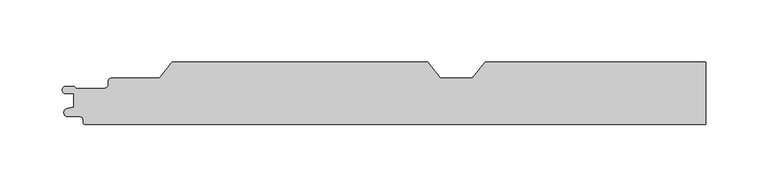
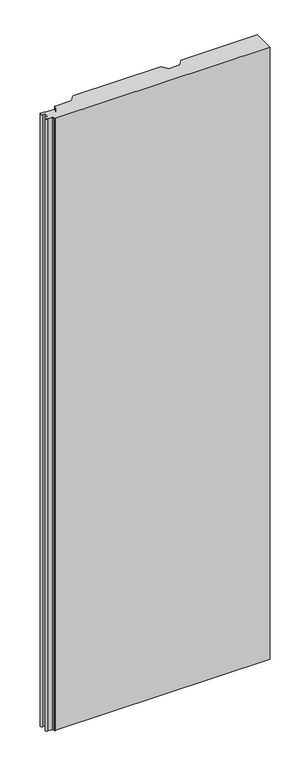
"""IFC4 building model written with IfcOpenShell, lengths in millimetres: proxy geometry."""

from ifc_helpers import new_model, si_unit, point, frame_2d, origin, origin_with_axes, place, context, project, spatial, polyline, circle_curve, trimmed, segment, composite_curve, outline, extrude, source, transform, mapped, element, save


def generic_models_21e4b4f1(model_context):
    return source(origin(), model_context, "Body", "SweptSolid", [
        extrude(outline(composite_curve([segment(trimmed(circle_curve(frame_2d((-498.3, -23.3)), 1.7), [point((-498.3, -25.0))], [point((-500.0, -23.3))], False, "CARTESIAN"), True, "CONTINUOUS"), segment(polyline([(-500.0, -23.3), (-500.0, -21.2)]), True, "CONTINUOUS"), segment(trimmed(circle_curve(frame_2d((-502.3, -21.2)), 2.3), [point((-500.0, -21.2))], [point((-502.3, -18.9))], True, "CARTESIAN"), True, "CONTINUOUS"), segment(polyline([(-502.3, -18.9), (-512.1, -18.9)]), True, "CONTINUOUS"), segment(trimmed(circle_curve(frame_2d((-512.1, -15.6)), 3.3), [point((-512.1, -18.9))], [point((-512.8423385, -12.3845788))], False, "CARTESIAN"), True, "CONTINUOUS"), segment(polyline([(-512.8423385, -12.3845788), (-507.347117, -11.115907), (-507.347117, -0.4369697), (-513.6706314, -0.4369697)]), True, "CONTINUOUS"), segment(trimmed(circle_curve(frame_2d((-513.6706314, 2.5444825)), 2.9814522), [point((-513.6706314, -0.4369697))], [point((-513.6706314, 5.5259348))], False, "CARTESIAN"), True, "CONTINUOUS"), segment(polyline([(-513.6706314, 5.5259348), (-507.3945609, 5.5259348)]), True, "CONTINUOUS"), segment(trimmed(circle_curve(frame_2d((-508.5138365, 3.7784532)), 2.0752035), [point((-507.3945609, 5.5259348))], [point((-506.7792948, 4.9176786))], False, "CARTESIAN"), True, "CONTINUOUS"), segment(trimmed(circle_curve(frame_2d((-505.0374222, 5.9004705)), 2.0), [point((-506.7792948, 4.9176786))], [point((-505.0374222, 3.9004705))], True, "CARTESIAN"), True, "CONTINUOUS"), segment(polyline([(-505.0374222, 3.9004705), (-482.9999474, 3.9004705)]), True, "CONTINUOUS"), segment(trimmed(circle_curve(frame_2d((-482.9999474, 7.3004705)), 3.4), [point((-482.9999474, 3.9004705))], [point((-479.5999474, 7.3004705))], True, "CARTESIAN"), True, "CONTINUOUS"), segment(polyline([(-479.5999474, 7.3004705), (-479.5999474, 9.6001056)]), True, "CONTINUOUS"), segment(trimmed(circle_curve(frame_2d((-477.1999474, 9.6001056)), 2.4), [point((-479.5999474, 9.6001056))], [point((-477.1999474, 12.0001056))], False, "CARTESIAN"), True, "CONTINUOUS"), segment(polyline([(-477.1999474, 12.0001056), (-440.0250086, 12.0001056)]), True, "CONTINUOUS"), segment(trimmed(circle_curve(frame_2d((-440.0250086, 14.4001056)), 2.4), [point((-440.0250086, 12.0001056))], [point((-438.1509234, 12.9008374))], True, "CARTESIAN"), True, "CONTINUOUS"), segment(polyline([(-438.1509234, 12.9008374), (-429.1021057, 24.2118596)]), True, "CONTINUOUS"), segment(trimmed(circle_curve(frame_2d((-427.4622812, 22.9)), 2.1), [point((-429.1021057, 24.2118596))], [point((-427.4622812, 25.0))], False, "CARTESIAN"), True, "CONTINUOUS"), segment(polyline([(-427.4622812, 25.0), (-223.3843192, 25.0), (-212.9844163, 12.0), (-187.3999029, 12.0), (-177.0, 25.0), (-3e-07, 25.0), (-3e-07, -25.0), (-498.3, -25.0)]), True, "CONTINUOUS")], self_intersect=False)), origin_with_axes(), (0.0, 0.0, 1.0), 1500.0),
    ])


if __name__ == "__main__":
    model = new_model("IFC4")
    model_context = context("Model", 3, world=origin())
    ifc_project = project(units=[si_unit("LENGTHUNIT", "METRE", prefix="MILLI")], contexts=[model_context])
    site = spatial("IfcSite", under=ifc_project)
    building = spatial("IfcBuilding", under=site)
    placement = place(None, origin())
    generic_models_shape = generic_models_21e4b4f1(model_context)
    element("IfcBuildingElementProxy", 1, Name="Generic Models", at=placement, inside=building, context=model_context, shape_type="MappedRepresentation", body=[
        mapped(generic_models_shape, transform((0.0, 0.0, 0.0), x_axis=(1.0, 0.0, 0.0), y_axis=(0.0, 1.0, 0.0), z_axis=(0.0, 0.0, 1.0))),
    ])
    save(model, "model.ifc")
